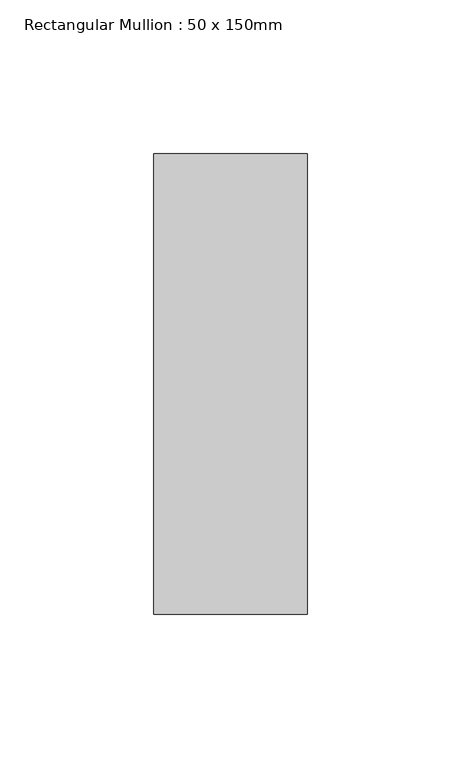
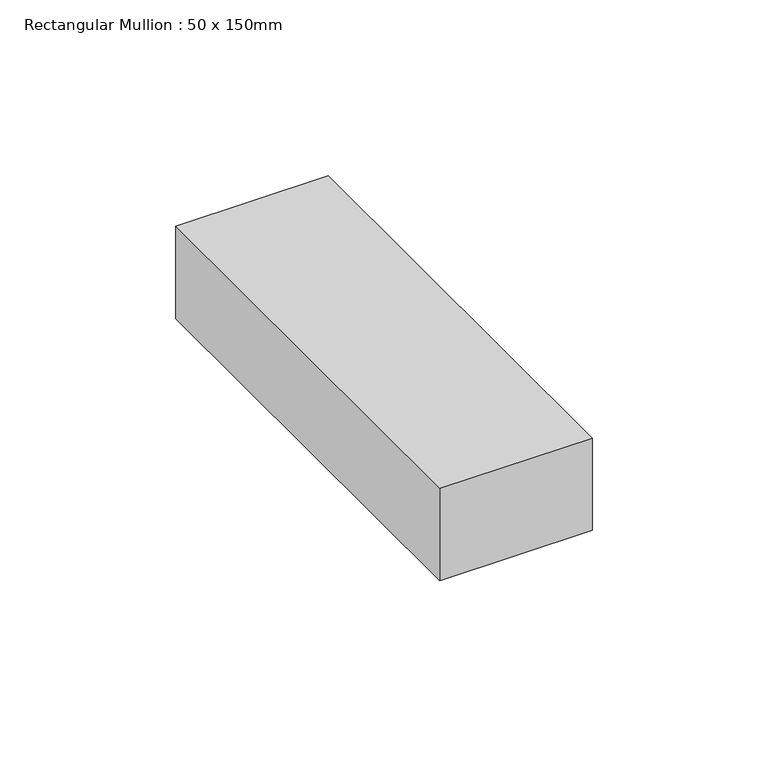
"""IFC4 building model written with IfcOpenShell, lengths in millimetres: member geometry, Rectangular Mullion : 50 x 150mm."""

import ifcopenshell
import ifcopenshell.guid

model = None  # the IFC model being written
_history = None  # IfcOwnerHistory: only IFC2X3 demands one
_inside = {}  # id of a spatial element -> (the spatial element, [elements in it])
_under = {}  # id of a project, library or spatial element -> (it, [spatial elements below it])
_declared = {}  # id of a project -> (the project, [libraries it declares])
_typed = {}  # id of a type object -> (the type object, [elements of that type])
_made_of = {}  # id of a material, layer set ... -> (it, [elements and type objects made of it])


def new_model(schema):
    """Start an empty IFC model of exactly this schema.

    Asked for "IFC4X3", IfcOpenShell would pick the latest addendum, in which some entities
    have other attributes; the version numbers below select the first issue.
    IFC2X3 requires an IfcOwnerHistory on every rooted entity: one is made here for all.
    """
    global model, _history
    if schema == "IFC4X3":
        model = ifcopenshell.file(schema_version=(4, 3, 0, 0))
    else:
        model = ifcopenshell.file(schema=schema)
    _inside.clear()
    _under.clear()
    _declared.clear()
    _typed.clear()
    _made_of.clear()
    _history = None
    if model.schema == "IFC2X3":
        org = make("IfcOrganization", Name="unknown")
        user = make(
            "IfcPersonAndOrganization",
            ThePerson=make("IfcPerson", FamilyName="unknown"),
            TheOrganization=org,
        )
        app = make(
            "IfcApplication",
            ApplicationDeveloper=org,
            Version="unknown",
            ApplicationFullName="unknown",
            ApplicationIdentifier="unknown",
        )
        _history = make(
            "IfcOwnerHistory",
            OwningUser=user,
            OwningApplication=app,
            ChangeAction="ADDED",
            CreationDate=0,
        )
    return model


def make(cls, **values):
    """One entity of the class cls with the attributes given. An attribute that is None is left unset."""
    return model.create_entity(
        cls, **{name: value for name, value in values.items() if value is not None}
    )


def rooted(cls, **values):
    """An entity with a GlobalId (a new one), such as an element, a storey or a relation."""
    return make(cls, GlobalId=ifcopenshell.guid.new(), OwnerHistory=_history, **values)


def si_unit(unit_type, name, prefix=None):
    """IfcSIUnit, for example si_unit("LENGTHUNIT", "METRE", prefix="MILLI")."""
    return make("IfcSIUnit", UnitType=unit_type, Prefix=prefix, Name=name)


def assignment(units):
    """IfcUnitAssignment: the units of a project."""
    return None if units is None else make("IfcUnitAssignment", Units=units)


def point(xyz):
    """IfcCartesianPoint."""
    return None if xyz is None else make("IfcCartesianPoint", Coordinates=xyz)


def direction(xyz):
    """IfcDirection."""
    return None if xyz is None else make("IfcDirection", DirectionRatios=xyz)


def frame(location, z_axis=None, x_axis=None):
    """IfcAxis2Placement3D, a coordinate frame: its origin and axes. An axis left out is left unset."""
    return make(
        "IfcAxis2Placement3D",
        Location=point(location),
        Axis=direction(z_axis),
        RefDirection=direction(x_axis),
    )


def origin():
    """The frame at (0, 0, 0) with its axes left unset."""
    return frame((0.0, 0.0, 0.0))


def place(relative_to, where):
    """IfcLocalPlacement: puts the frame where relative to a parent placement (None: the world)."""
    return make(
        "IfcLocalPlacement", PlacementRelTo=relative_to, RelativePlacement=where
    )


def context(
    kind, dimensions, precision=None, world=None, true_north=None, identifier=None
):
    """IfcGeometricRepresentationContext, for example the 3D "Model" context."""
    return make(
        "IfcGeometricRepresentationContext",
        ContextIdentifier=identifier,
        ContextType=kind,
        CoordinateSpaceDimension=dimensions,
        Precision=precision,
        WorldCoordinateSystem=world,
        TrueNorth=true_north,
    )


def project(units=None, contexts=None):
    """IfcProject with its units and contexts."""
    return rooted(
        "IfcProject",
        Name="project",
        RepresentationContexts=contexts,
        UnitsInContext=assignment(units),
    )


def spatial(cls, under=None, at=None, **own):
    """A site, building, storey or space (cls), placed at a placement, below another one or the project."""
    s = rooted(cls, ObjectPlacement=at, **own)
    if under is not None:
        _under.setdefault(under.id(), (under, []))[1].append(s)
    return s


def polyline(points):
    """IfcPolyline through the points."""
    return make("IfcPolyline", Points=[point(p) for p in points])


def outline(outer, holes=None, kind="AREA"):
    """IfcArbitraryClosedProfileDef: a profile drawn as a closed curve; with holes, ...WithVoids."""
    if holes is None:
        return make("IfcArbitraryClosedProfileDef", ProfileType=kind, OuterCurve=outer)
    return make(
        "IfcArbitraryProfileDefWithVoids",
        ProfileType=kind,
        OuterCurve=outer,
        InnerCurves=holes,
    )


def extrude(swept, where, along, depth):
    """IfcExtrudedAreaSolid: the profile swept, set in the frame where, extruded along a direction by depth."""
    return make(
        "IfcExtrudedAreaSolid",
        SweptArea=swept,
        Position=where,
        ExtrudedDirection=direction(along),
        Depth=depth,
    )


def shape(context_of_items, identifier, shape_type, items):
    """IfcShapeRepresentation: the items that make up one representation, for example the "Body"."""
    return make(
        "IfcShapeRepresentation",
        ContextOfItems=context_of_items,
        RepresentationIdentifier=identifier,
        RepresentationType=shape_type,
        Items=items,
    )


def source(mapping_origin, context_of_items, identifier, shape_type, items):
    """IfcRepresentationMap: a shape defined once, which mapped items show again and again."""
    return make(
        "IfcRepresentationMap",
        MappingOrigin=mapping_origin,
        MappedRepresentation=shape(context_of_items, identifier, shape_type, items),
    )


def transform(
    local_origin,
    x_axis=None,
    y_axis=None,
    z_axis=None,
    scale=None,
    scale2=None,
    scale3=None,
    uniform=True,
):
    """IfcCartesianTransformationOperator3D, or its non-uniform kind. x_axis, y_axis, z_axis: its Axis1, 2, 3."""
    if uniform:
        return make(
            "IfcCartesianTransformationOperator3D",
            Axis1=direction(x_axis),
            Axis2=direction(y_axis),
            LocalOrigin=point(local_origin),
            Scale=scale,
            Axis3=direction(z_axis),
        )
    return make(
        "IfcCartesianTransformationOperator3DnonUniform",
        Axis1=direction(x_axis),
        Axis2=direction(y_axis),
        LocalOrigin=point(local_origin),
        Scale=scale,
        Axis3=direction(z_axis),
        Scale2=scale2,
        Scale3=scale3,
    )


def mapped(mapping_source, mapping_target):
    """IfcMappedItem: shows the shape of a source again, moved by a transform."""
    return make(
        "IfcMappedItem", MappingSource=mapping_source, MappingTarget=mapping_target
    )


def made_of(thing, what):
    """Note that an element or type object is made of a material, layer set ...; save() writes the relation."""
    if what is not None:
        _made_of.setdefault(what.id(), (what, []))[1].append(thing)
    return thing


def element(
    cls,
    number,
    at=None,
    inside=None,
    cuts=None,
    type_object=None,
    material=None,
    context=None,
    identifier="Body",
    shape_type=None,
    held_by="IfcProductDefinitionShape",
    body=None,
    shapes=None,
    **own,
):
    """One element of the class cls, such as IfcWall. Its Tag is "e" and its number.

    at: its placement. inside: the storey or other place that contains it. cuts: it is an
    opening in that element (IfcRelVoidsElement). A single representation is given by context,
    identifier, shape_type and body (its items); several are given by shapes. held_by: the class
    of the entity that holds the representations. save() writes the other relations.
    """
    e = rooted(cls, Tag="e%d" % number, ObjectPlacement=at, **own)
    if body is not None:
        shapes = [shape(context, identifier, shape_type, body)]
    if shapes is not None:
        e.Representation = make(held_by, Representations=shapes)
    if inside is not None:
        _inside.setdefault(inside.id(), (inside, []))[1].append(e)
    if cuts is not None:
        rooted(
            "IfcRelVoidsElement", RelatingBuildingElement=cuts, RelatedOpeningElement=e
        )
    if type_object is not None:
        _typed.setdefault(type_object.id(), (type_object, []))[1].append(e)
    return made_of(e, material)


def aggregate(whole, parts):
    """IfcRelAggregates: a whole, such as a stair, and the parts it consists of."""
    return rooted("IfcRelAggregates", RelatingObject=whole, RelatedObjects=parts)


def save(model, path):
    """Write the relations noted so far, then the file.

    IfcRelAggregates (storeys below a building ...), IfcRelContainedInSpatialStructure (elements
    in a storey), IfcRelDefinesByType, IfcRelAssociatesMaterial and IfcRelDeclares: one each for
    every whole, place, type object, material and project.
    """
    for whole, parts in _under.values():
        aggregate(whole, parts)
    for where, things in _inside.values():
        rooted(
            "IfcRelContainedInSpatialStructure",
            RelatedElements=things,
            RelatingStructure=where,
        )
    for kind, things in _typed.values():
        rooted("IfcRelDefinesByType", RelatedObjects=things, RelatingType=kind)
    for what, things in _made_of.values():
        rooted("IfcRelAssociatesMaterial", RelatedObjects=things, RelatingMaterial=what)
    for by, libraries in _declared.values():
        rooted("IfcRelDeclares", RelatingContext=by, RelatedDefinitions=libraries)
    model.write(path)


def rectangular_mullion_50_x_150mm_f4ea26d5(model_context):
    return source(origin(), model_context, "Body", "SweptSolid", [
        extrude(outline(polyline([(25.0, 75.0), (25.0, -75.0), (-25.0, -75.0), (-25.0, 75.0), (25.0, 75.0)])), frame((0.0, 0.0, -32.0093155), z_axis=(0.0, 0.0, 1.0), x_axis=(1.0, 0.0, 0.0)), (0.0, 0.0, 1.0), 32.0093155),
    ])


if __name__ == "__main__":
    model = new_model("IFC4")
    model_context = context("Model", 3, world=origin())
    ifc_project = project(units=[si_unit("LENGTHUNIT", "METRE", prefix="MILLI")], contexts=[model_context])
    site = spatial("IfcSite", under=ifc_project)
    building = spatial("IfcBuilding", under=site)
    placement = place(None, origin())
    rectangular_mullion_50_x_150mm_shape = rectangular_mullion_50_x_150mm_f4ea26d5(model_context)
    element("IfcMember", 1, ObjectType="Rectangular Mullion : 50 x 150mm", at=placement, inside=building, context=model_context, shape_type="MappedRepresentation", body=[
        mapped(rectangular_mullion_50_x_150mm_shape, transform((0.0, 0.0, 0.0), x_axis=(1.0, 0.0, 0.0), y_axis=(0.0, 1.0, 0.0), z_axis=(0.0, 0.0, 1.0))),
    ])
    save(model, "model.ifc")
